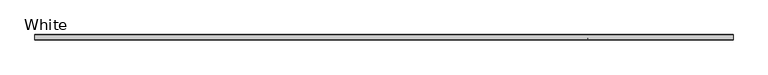
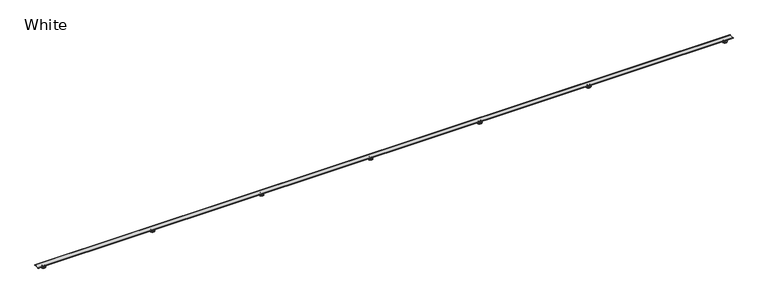
"""IFC4 building model written with IfcOpenShell, lengths in millimetres: proxy geometry, White."""

import ifcopenshell
import ifcopenshell.guid

model = None  # the IFC model being written
_history = None  # IfcOwnerHistory: only IFC2X3 demands one
_inside = {}  # id of a spatial element -> (the spatial element, [elements in it])
_under = {}  # id of a project, library or spatial element -> (it, [spatial elements below it])
_declared = {}  # id of a project -> (the project, [libraries it declares])
_typed = {}  # id of a type object -> (the type object, [elements of that type])
_made_of = {}  # id of a material, layer set ... -> (it, [elements and type objects made of it])


def new_model(schema):
    """Start an empty IFC model of exactly this schema.

    Asked for "IFC4X3", IfcOpenShell would pick the latest addendum, in which some entities
    have other attributes; the version numbers below select the first issue.
    IFC2X3 requires an IfcOwnerHistory on every rooted entity: one is made here for all.
    """
    global model, _history
    if schema == "IFC4X3":
        model = ifcopenshell.file(schema_version=(4, 3, 0, 0))
    else:
        model = ifcopenshell.file(schema=schema)
    _inside.clear()
    _under.clear()
    _declared.clear()
    _typed.clear()
    _made_of.clear()
    _history = None
    if model.schema == "IFC2X3":
        org = make("IfcOrganization", Name="unknown")
        user = make(
            "IfcPersonAndOrganization",
            ThePerson=make("IfcPerson", FamilyName="unknown"),
            TheOrganization=org,
        )
        app = make(
            "IfcApplication",
            ApplicationDeveloper=org,
            Version="unknown",
            ApplicationFullName="unknown",
            ApplicationIdentifier="unknown",
        )
        _history = make(
            "IfcOwnerHistory",
            OwningUser=user,
            OwningApplication=app,
            ChangeAction="ADDED",
            CreationDate=0,
        )
    return model


def make(cls, **values):
    """One entity of the class cls with the attributes given. An attribute that is None is left unset."""
    return model.create_entity(
        cls, **{name: value for name, value in values.items() if value is not None}
    )


def rooted(cls, **values):
    """An entity with a GlobalId (a new one), such as an element, a storey or a relation."""
    return make(cls, GlobalId=ifcopenshell.guid.new(), OwnerHistory=_history, **values)


def si_unit(unit_type, name, prefix=None):
    """IfcSIUnit, for example si_unit("LENGTHUNIT", "METRE", prefix="MILLI")."""
    return make("IfcSIUnit", UnitType=unit_type, Prefix=prefix, Name=name)


def assignment(units):
    """IfcUnitAssignment: the units of a project."""
    return None if units is None else make("IfcUnitAssignment", Units=units)


def point(xyz):
    """IfcCartesianPoint."""
    return None if xyz is None else make("IfcCartesianPoint", Coordinates=xyz)


def direction(xyz):
    """IfcDirection."""
    return None if xyz is None else make("IfcDirection", DirectionRatios=xyz)


def frame(location, z_axis=None, x_axis=None):
    """IfcAxis2Placement3D, a coordinate frame: its origin and axes. An axis left out is left unset."""
    return make(
        "IfcAxis2Placement3D",
        Location=point(location),
        Axis=direction(z_axis),
        RefDirection=direction(x_axis),
    )


def frame_2d(location, x_axis=None):
    """IfcAxis2Placement2D, a coordinate frame in the plane: its origin and x axis."""
    return make(
        "IfcAxis2Placement2D", Location=point(location), RefDirection=direction(x_axis)
    )


def origin():
    """The frame at (0, 0, 0) with its axes left unset."""
    return frame((0.0, 0.0, 0.0))


def place(relative_to, where):
    """IfcLocalPlacement: puts the frame where relative to a parent placement (None: the world)."""
    return make(
        "IfcLocalPlacement", PlacementRelTo=relative_to, RelativePlacement=where
    )


def context(
    kind, dimensions, precision=None, world=None, true_north=None, identifier=None
):
    """IfcGeometricRepresentationContext, for example the 3D "Model" context."""
    return make(
        "IfcGeometricRepresentationContext",
        ContextIdentifier=identifier,
        ContextType=kind,
        CoordinateSpaceDimension=dimensions,
        Precision=precision,
        WorldCoordinateSystem=world,
        TrueNorth=true_north,
    )


def project(units=None, contexts=None):
    """IfcProject with its units and contexts."""
    return rooted(
        "IfcProject",
        Name="project",
        RepresentationContexts=contexts,
        UnitsInContext=assignment(units),
    )


def spatial(cls, under=None, at=None, **own):
    """A site, building, storey or space (cls), placed at a placement, below another one or the project."""
    s = rooted(cls, ObjectPlacement=at, **own)
    if under is not None:
        _under.setdefault(under.id(), (under, []))[1].append(s)
    return s


def polyline(points):
    """IfcPolyline through the points."""
    return make("IfcPolyline", Points=[point(p) for p in points])


def circle_curve(where, radius):
    """IfcCircle in the frame where."""
    return make("IfcCircle", Position=where, Radius=radius)


def ellipse_curve(where, semi_axis1, semi_axis2):
    """IfcEllipse in the frame where."""
    return make(
        "IfcEllipse", Position=where, SemiAxis1=semi_axis1, SemiAxis2=semi_axis2
    )


def trimmed(basis, trim1, trim2, sense, master):
    """IfcTrimmedCurve: the piece of a basis curve between two trims."""
    return make(
        "IfcTrimmedCurve",
        BasisCurve=basis,
        Trim1=trim1,
        Trim2=trim2,
        SenseAgreement=sense,
        MasterRepresentation=master,
    )


def segment(curve, same_sense, transition):
    """IfcCompositeCurveSegment."""
    return make(
        "IfcCompositeCurveSegment",
        Transition=transition,
        SameSense=same_sense,
        ParentCurve=curve,
    )


def composite_curve(segments, self_intersect=None):
    """IfcCompositeCurve: segments joined end to end."""
    return make("IfcCompositeCurve", Segments=segments, SelfIntersect=self_intersect)


def outline(outer, holes=None, kind="AREA"):
    """IfcArbitraryClosedProfileDef: a profile drawn as a closed curve; with holes, ...WithVoids."""
    if holes is None:
        return make("IfcArbitraryClosedProfileDef", ProfileType=kind, OuterCurve=outer)
    return make(
        "IfcArbitraryProfileDefWithVoids",
        ProfileType=kind,
        OuterCurve=outer,
        InnerCurves=holes,
    )


def extrude(swept, where, along, depth):
    """IfcExtrudedAreaSolid: the profile swept, set in the frame where, extruded along a direction by depth."""
    return make(
        "IfcExtrudedAreaSolid",
        SweptArea=swept,
        Position=where,
        ExtrudedDirection=direction(along),
        Depth=depth,
    )


def shape(context_of_items, identifier, shape_type, items):
    """IfcShapeRepresentation: the items that make up one representation, for example the "Body"."""
    return make(
        "IfcShapeRepresentation",
        ContextOfItems=context_of_items,
        RepresentationIdentifier=identifier,
        RepresentationType=shape_type,
        Items=items,
    )


def source(mapping_origin, context_of_items, identifier, shape_type, items):
    """IfcRepresentationMap: a shape defined once, which mapped items show again and again."""
    return make(
        "IfcRepresentationMap",
        MappingOrigin=mapping_origin,
        MappedRepresentation=shape(context_of_items, identifier, shape_type, items),
    )


def transform(
    local_origin,
    x_axis=None,
    y_axis=None,
    z_axis=None,
    scale=None,
    scale2=None,
    scale3=None,
    uniform=True,
):
    """IfcCartesianTransformationOperator3D, or its non-uniform kind. x_axis, y_axis, z_axis: its Axis1, 2, 3."""
    if uniform:
        return make(
            "IfcCartesianTransformationOperator3D",
            Axis1=direction(x_axis),
            Axis2=direction(y_axis),
            LocalOrigin=point(local_origin),
            Scale=scale,
            Axis3=direction(z_axis),
        )
    return make(
        "IfcCartesianTransformationOperator3DnonUniform",
        Axis1=direction(x_axis),
        Axis2=direction(y_axis),
        LocalOrigin=point(local_origin),
        Scale=scale,
        Axis3=direction(z_axis),
        Scale2=scale2,
        Scale3=scale3,
    )


def mapped(mapping_source, mapping_target):
    """IfcMappedItem: shows the shape of a source again, moved by a transform."""
    return make(
        "IfcMappedItem", MappingSource=mapping_source, MappingTarget=mapping_target
    )


def made_of(thing, what):
    """Note that an element or type object is made of a material, layer set ...; save() writes the relation."""
    if what is not None:
        _made_of.setdefault(what.id(), (what, []))[1].append(thing)
    return thing


def element(
    cls,
    number,
    at=None,
    inside=None,
    cuts=None,
    type_object=None,
    material=None,
    context=None,
    identifier="Body",
    shape_type=None,
    held_by="IfcProductDefinitionShape",
    body=None,
    shapes=None,
    **own,
):
    """One element of the class cls, such as IfcWall. Its Tag is "e" and its number.

    at: its placement. inside: the storey or other place that contains it. cuts: it is an
    opening in that element (IfcRelVoidsElement). A single representation is given by context,
    identifier, shape_type and body (its items); several are given by shapes. held_by: the class
    of the entity that holds the representations. save() writes the other relations.
    """
    e = rooted(cls, Tag="e%d" % number, ObjectPlacement=at, **own)
    if body is not None:
        shapes = [shape(context, identifier, shape_type, body)]
    if shapes is not None:
        e.Representation = make(held_by, Representations=shapes)
    if inside is not None:
        _inside.setdefault(inside.id(), (inside, []))[1].append(e)
    if cuts is not None:
        rooted(
            "IfcRelVoidsElement", RelatingBuildingElement=cuts, RelatedOpeningElement=e
        )
    if type_object is not None:
        _typed.setdefault(type_object.id(), (type_object, []))[1].append(e)
    return made_of(e, material)


def aggregate(whole, parts):
    """IfcRelAggregates: a whole, such as a stair, and the parts it consists of."""
    return rooted("IfcRelAggregates", RelatingObject=whole, RelatedObjects=parts)


def save(model, path):
    """Write the relations noted so far, then the file.

    IfcRelAggregates (storeys below a building ...), IfcRelContainedInSpatialStructure (elements
    in a storey), IfcRelDefinesByType, IfcRelAssociatesMaterial and IfcRelDeclares: one each for
    every whole, place, type object, material and project.
    """
    for whole, parts in _under.values():
        aggregate(whole, parts)
    for where, things in _inside.values():
        rooted(
            "IfcRelContainedInSpatialStructure",
            RelatedElements=things,
            RelatingStructure=where,
        )
    for kind, things in _typed.values():
        rooted("IfcRelDefinesByType", RelatedObjects=things, RelatingType=kind)
    for what, things in _made_of.values():
        rooted("IfcRelAssociatesMaterial", RelatedObjects=things, RelatingMaterial=what)
    for by, libraries in _declared.values():
        rooted("IfcRelDeclares", RelatingContext=by, RelatedDefinitions=libraries)
    model.write(path)


def plane_surface(at):
    """IfcPlane: the flat surface through the origin of the frame at, square to its z axis."""
    return make("IfcPlane", Position=at)


def cylinder_surface(at, radius):
    """IfcCylindricalSurface: all points at the distance radius from the z axis of the frame at."""
    return make("IfcCylindricalSurface", Position=at, Radius=radius)


def revolved_surface(curve, axis_point, axis_direction):
    """IfcSurfaceOfRevolution: the curve turned about the line through axis_point along axis_direction."""
    return make(
        "IfcSurfaceOfRevolution",
        SweptCurve=make("IfcArbitraryOpenProfileDef", ProfileType="CURVE", Curve=curve),
        AxisPosition=make("IfcAxis1Placement", Location=point(axis_point), Axis=direction(axis_direction)),
    )


def advanced_brep(points, edges, surfaces, faces):
    """IfcAdvancedBrep: a solid bounded by faces that lie on surfaces and meet in shared edges.

    An edge is (start, end): straight between two places in points (the first is 0);
    or (start, end, curve); or (start, end, curve, False) where it runs against its curve.
    A face is (place in surfaces, loops), or (place, loops, False) where it looks against
    its surface's normal. A loop lists edges by number (the first is 1), with a minus sign
    where the edge is run from its end to its start. The first loop is the outer one.
    """
    corners = [point(p) for p in points]
    vertices = [make("IfcVertexPoint", VertexGeometry=c) for c in corners]
    made = []
    for start, end, *more in edges:
        made.append(
            make(
                "IfcEdgeCurve",
                EdgeStart=vertices[start],
                EdgeEnd=vertices[end],
                EdgeGeometry=more[0] if more else make("IfcPolyline", Points=[corners[start], corners[end]]),
                SameSense=more[1] if len(more) > 1 else True,
            )
        )
    hull = []
    for where, loops, *sense in faces:
        bounds = []
        for j, loop in enumerate(loops):
            ring = [make("IfcOrientedEdge", EdgeElement=made[abs(k) - 1], Orientation=k > 0) for k in loop]
            bounds.append(
                make(
                    "IfcFaceOuterBound" if j == 0 else "IfcFaceBound",
                    Bound=make("IfcEdgeLoop", EdgeList=ring),
                    Orientation=True,
                )
            )
        hull.append(make("IfcAdvancedFace", Bounds=bounds, FaceSurface=surfaces[where], SameSense=sense[0] if sense else True))
    return make("IfcAdvancedBrep", Outer=make("IfcClosedShell", CfsFaces=hull))


def white_c930aea4(model_context):
    return source(origin(), model_context, "Body", "SolidModel", [
        advanced_brep(
        [(2062.1625, 0.0, 10.0076), (2052.6375, 0.0, 10.0076), (2057.4, 0.0, 10.0076), (2062.1625, 0.0, 2.7028081), (2052.6375, 0.0, 2.7028081), (2065.096406, 0.0, 1.9166704), (2049.703594, 0.0, 1.9166704), (2057.4, 0.0, 0.0), (2049.8796716, 0.0, 0.0), (2064.9203284, 0.0, 0.0)],
        [
            (0, 1, circle_curve(frame((2057.4, 0.0, 10.0076), z_axis=(0.0, 0.0, 1.0), x_axis=(-1.0, 0.0, 0.0)), 4.7625)),
            (1, 2),
            (2, 0),
            (1, 0, circle_curve(frame((2057.4, 0.0, 10.0076), z_axis=(0.0, 0.0, 1.0), x_axis=(-1.0, 0.0, 0.0)), 4.7625)),
            (3, 4, circle_curve(frame((2057.4, 0.0, 2.7028081), z_axis=(0.0, 0.0, 1.0), x_axis=(-1.0, 0.0, 0.0)), 4.7625)),
            (4, 1),
            (0, 3),
            (4, 3, circle_curve(frame((2057.4, 0.0, 2.7028081), z_axis=(0.0, 0.0, 1.0), x_axis=(-1.0, 0.0, 0.0)), 4.7625)),
            (5, 6, circle_curve(frame((2057.4, 0.0, 1.9166704), z_axis=(0.0, 0.0, 1.0), x_axis=(-1.0, 0.0, 0.0)), 7.696406)),
            (6, 4),
            (3, 5),
            (6, 5, circle_curve(frame((2057.4, 0.0, 1.9166704), z_axis=(0.0, 0.0, 1.0), x_axis=(-1.0, 0.0, 0.0)), 7.696406)),
            (7, 8),
            (8, 9, circle_curve(frame((2057.4, 0.0, 0.0), z_axis=(0.0, 0.0, -1.0), x_axis=(-1.0, 0.0, 0.0)), 7.5203284)),
            (9, 7),
            (9, 8, circle_curve(frame((2057.4, 0.0, 0.0), z_axis=(0.0, 0.0, -1.0), x_axis=(-1.0, 0.0, 0.0)), 7.5203284)),
            (8, 6, circle_curve(frame((2049.8796716, 0.0, 0.966423), z_axis=(0.0, 1.0, 0.0), x_axis=(1.0, 0.0, 0.0)), 0.966423)),
            (5, 9, circle_curve(frame((2064.9203284, 0.0, 0.966423), z_axis=(0.0, 1.0, 0.0), x_axis=(-1.0, 0.0, 0.0)), 0.966423)),
        ],
        [
            plane_surface(frame((2057.4, 0.0, 10.0076), z_axis=(0.0, 0.0, 1.0), x_axis=(-1.0, 0.0, 0.0))),
            cylinder_surface(frame((2057.4, 0.0, 2609.0581012), z_axis=(0.0, 0.0, -1.0), x_axis=(-1.0, 0.0, 0.0)), 4.7625),
            revolved_surface(polyline([(2052.6375, 0.0, 2.7028081), (2049.703594, 0.0, 1.9166704)]), (2057.4, 0.0, 2609.0581012), (0.0, 0.0, -1.0)),
            plane_surface(frame((2057.4, 0.0, 0.0), z_axis=(0.0, 0.0, -1.0), x_axis=(-1.0, 0.0, 0.0))),
            revolved_surface(trimmed(ellipse_curve(frame((2049.8796716, 0.0, 0.966423), z_axis=(0.0, -1.0, 0.0), x_axis=(1.0, 0.0, 0.0)), 0.966423, 0.966423), [point((2049.703594, 0.0, 1.9166704))], [point((2049.8796716, 0.0, 0.0))], True, "CARTESIAN"), (2057.4, 0.0, 2609.0581012), (0.0, 0.0, -1.0)),
        ],
        [
            (0, [[1, 2, 3]]),
            (0, [[4, -3, -2]]),
            (1, [[5, 6, -1, 7]]),
            (1, [[8, -7, -4, -6]]),
            (2, [[9, 10, -5, 11]]),
            (2, [[12, -11, -8, -10]]),
            (3, [[13, 14, 15]]),
            (3, [[-15, 16, -13]]),
            (4, [[-14, 17, -9, 18]]),
            (4, [[-16, -18, -12, -17]]),
        ],
    ),
        advanced_brep(
        [(1655.7625, 0.0, 10.0076), (1646.2375, 0.0, 10.0076), (1651.0, 0.0, 10.0076), (1655.7625, 0.0, 2.7028081), (1646.2375, 0.0, 2.7028081), (1658.696406, 0.0, 1.9166704), (1643.303594, 0.0, 1.9166704), (1651.0, 0.0, 0.0), (1643.4796716, 0.0, 0.0), (1658.5203284, 0.0, 0.0)],
        [
            (0, 1, circle_curve(frame((1651.0, 0.0, 10.0076), z_axis=(0.0, 0.0, 1.0), x_axis=(-1.0, 0.0, 0.0)), 4.7625)),
            (1, 2),
            (2, 0),
            (1, 0, circle_curve(frame((1651.0, 0.0, 10.0076), z_axis=(0.0, 0.0, 1.0), x_axis=(-1.0, 0.0, 0.0)), 4.7625)),
            (3, 4, circle_curve(frame((1651.0, 0.0, 2.7028081), z_axis=(0.0, 0.0, 1.0), x_axis=(-1.0, 0.0, 0.0)), 4.7625)),
            (4, 1),
            (0, 3),
            (4, 3, circle_curve(frame((1651.0, 0.0, 2.7028081), z_axis=(0.0, 0.0, 1.0), x_axis=(-1.0, 0.0, 0.0)), 4.7625)),
            (5, 6, circle_curve(frame((1651.0, 0.0, 1.9166704), z_axis=(0.0, 0.0, 1.0), x_axis=(-1.0, 0.0, 0.0)), 7.696406)),
            (6, 4),
            (3, 5),
            (6, 5, circle_curve(frame((1651.0, 0.0, 1.9166704), z_axis=(0.0, 0.0, 1.0), x_axis=(-1.0, 0.0, 0.0)), 7.696406)),
            (7, 8),
            (8, 9, circle_curve(frame((1651.0, 0.0, 0.0), z_axis=(0.0, 0.0, -1.0), x_axis=(-1.0, 0.0, 0.0)), 7.5203284)),
            (9, 7),
            (9, 8, circle_curve(frame((1651.0, 0.0, 0.0), z_axis=(0.0, 0.0, -1.0), x_axis=(-1.0, 0.0, 0.0)), 7.5203284)),
            (8, 6, circle_curve(frame((1643.4796716, 0.0, 0.966423), z_axis=(0.0, 1.0, 0.0), x_axis=(1.0, 0.0, 0.0)), 0.966423)),
            (5, 9, circle_curve(frame((1658.5203284, 0.0, 0.966423), z_axis=(0.0, 1.0, 0.0), x_axis=(-1.0, 0.0, 0.0)), 0.966423)),
        ],
        [
            plane_surface(frame((1651.0, 0.0, 10.0076), z_axis=(0.0, 0.0, 1.0), x_axis=(-1.0, 0.0, 0.0))),
            cylinder_surface(frame((1651.0, 0.0, 2609.0581012), z_axis=(0.0, 0.0, -1.0), x_axis=(-1.0, 0.0, 0.0)), 4.7625),
            revolved_surface(polyline([(1646.2375, 0.0, 2.7028081), (1643.303594, 0.0, 1.9166704)]), (1651.0, 0.0, 2609.0581012), (0.0, 0.0, -1.0)),
            plane_surface(frame((1651.0, 0.0, 0.0), z_axis=(0.0, 0.0, -1.0), x_axis=(-1.0, 0.0, 0.0))),
            revolved_surface(trimmed(ellipse_curve(frame((1643.4796716, 0.0, 0.966423), z_axis=(0.0, -1.0, 0.0), x_axis=(1.0, 0.0, 0.0)), 0.966423, 0.966423), [point((1643.303594, 0.0, 1.9166704))], [point((1643.4796716, 0.0, 0.0))], True, "CARTESIAN"), (1651.0, 0.0, 2609.0581012), (0.0, 0.0, -1.0)),
        ],
        [
            (0, [[1, 2, 3]]),
            (0, [[4, -3, -2]]),
            (1, [[5, 6, -1, 7]]),
            (1, [[8, -7, -4, -6]]),
            (2, [[9, 10, -5, 11]]),
            (2, [[12, -11, -8, -10]]),
            (3, [[13, 14, 15]]),
            (3, [[-15, 16, -13]]),
            (4, [[-14, 17, -9, 18]]),
            (4, [[-16, -18, -12, -17]]),
        ],
    ),
        advanced_brep(
        [(1249.3625, 0.0, 10.0076), (1239.8375, 0.0, 10.0076), (1244.6, 0.0, 10.0076), (1249.3625, 0.0, 2.7028081), (1239.8375, 0.0, 2.7028081), (1252.296406, 0.0, 1.9166704), (1236.903594, 0.0, 1.9166704), (1244.6, 0.0, 0.0), (1237.0796716, 0.0, 0.0), (1252.1203284, 0.0, 0.0)],
        [
            (0, 1, circle_curve(frame((1244.6, 0.0, 10.0076), z_axis=(0.0, 0.0, 1.0), x_axis=(-1.0, 0.0, 0.0)), 4.7625)),
            (1, 2),
            (2, 0),
            (1, 0, circle_curve(frame((1244.6, 0.0, 10.0076), z_axis=(0.0, 0.0, 1.0), x_axis=(-1.0, 0.0, 0.0)), 4.7625)),
            (3, 4, circle_curve(frame((1244.6, 0.0, 2.7028081), z_axis=(0.0, 0.0, 1.0), x_axis=(-1.0, 0.0, 0.0)), 4.7625)),
            (4, 1),
            (0, 3),
            (4, 3, circle_curve(frame((1244.6, 0.0, 2.7028081), z_axis=(0.0, 0.0, 1.0), x_axis=(-1.0, 0.0, 0.0)), 4.7625)),
            (5, 6, circle_curve(frame((1244.6, 0.0, 1.9166704), z_axis=(0.0, 0.0, 1.0), x_axis=(-1.0, 0.0, 0.0)), 7.696406)),
            (6, 4),
            (3, 5),
            (6, 5, circle_curve(frame((1244.6, 0.0, 1.9166704), z_axis=(0.0, 0.0, 1.0), x_axis=(-1.0, 0.0, 0.0)), 7.696406)),
            (7, 8),
            (8, 9, circle_curve(frame((1244.6, 0.0, 0.0), z_axis=(0.0, 0.0, -1.0), x_axis=(-1.0, 0.0, 0.0)), 7.5203284)),
            (9, 7),
            (9, 8, circle_curve(frame((1244.6, 0.0, 0.0), z_axis=(0.0, 0.0, -1.0), x_axis=(-1.0, 0.0, 0.0)), 7.5203284)),
            (8, 6, circle_curve(frame((1237.0796716, 0.0, 0.966423), z_axis=(0.0, 1.0, 0.0), x_axis=(1.0, 0.0, 0.0)), 0.966423)),
            (5, 9, circle_curve(frame((1252.1203284, 0.0, 0.966423), z_axis=(0.0, 1.0, 0.0), x_axis=(-1.0, 0.0, 0.0)), 0.966423)),
        ],
        [
            plane_surface(frame((1244.6, 0.0, 10.0076), z_axis=(0.0, 0.0, 1.0), x_axis=(-1.0, 0.0, 0.0))),
            cylinder_surface(frame((1244.6, 0.0, 2609.0581012), z_axis=(0.0, 0.0, -1.0), x_axis=(-1.0, 0.0, 0.0)), 4.7625),
            revolved_surface(polyline([(1239.8375, 0.0, 2.7028081), (1236.903594, 0.0, 1.9166704)]), (1244.6, 0.0, 2609.0581012), (0.0, 0.0, -1.0)),
            plane_surface(frame((1244.6, 0.0, 0.0), z_axis=(0.0, 0.0, -1.0), x_axis=(-1.0, 0.0, 0.0))),
            revolved_surface(trimmed(ellipse_curve(frame((1237.0796716, 0.0, 0.966423), z_axis=(0.0, -1.0, 0.0), x_axis=(1.0, 0.0, 0.0)), 0.966423, 0.966423), [point((1236.903594, 0.0, 1.9166704))], [point((1237.0796716, 0.0, 0.0))], True, "CARTESIAN"), (1244.6, 0.0, 2609.0581012), (0.0, 0.0, -1.0)),
        ],
        [
            (0, [[1, 2, 3]]),
            (0, [[4, -3, -2]]),
            (1, [[5, 6, -1, 7]]),
            (1, [[8, -7, -4, -6]]),
            (2, [[9, 10, -5, 11]]),
            (2, [[12, -11, -8, -10]]),
            (3, [[13, 14, 15]]),
            (3, [[-15, 16, -13]]),
            (4, [[-14, 17, -9, 18]]),
            (4, [[-16, -18, -12, -17]]),
        ],
    ),
        advanced_brep(
        [(842.9625, 0.0, 10.0076), (833.4375, 0.0, 10.0076), (838.2, 0.0, 10.0076), (842.9625, 0.0, 2.7028081), (833.4375, 0.0, 2.7028081), (845.896406, 0.0, 1.9166704), (830.503594, 0.0, 1.9166704), (838.2, 0.0, 0.0), (830.6796716, 0.0, 0.0), (845.7203284, 0.0, 0.0)],
        [
            (0, 1, circle_curve(frame((838.2, 0.0, 10.0076), z_axis=(0.0, 0.0, 1.0), x_axis=(-1.0, 0.0, 0.0)), 4.7625)),
            (1, 2),
            (2, 0),
            (1, 0, circle_curve(frame((838.2, 0.0, 10.0076), z_axis=(0.0, 0.0, 1.0), x_axis=(-1.0, 0.0, 0.0)), 4.7625)),
            (3, 4, circle_curve(frame((838.2, 0.0, 2.7028081), z_axis=(0.0, 0.0, 1.0), x_axis=(-1.0, 0.0, 0.0)), 4.7625)),
            (4, 1),
            (0, 3),
            (4, 3, circle_curve(frame((838.2, 0.0, 2.7028081), z_axis=(0.0, 0.0, 1.0), x_axis=(-1.0, 0.0, 0.0)), 4.7625)),
            (5, 6, circle_curve(frame((838.2, 0.0, 1.9166704), z_axis=(0.0, 0.0, 1.0), x_axis=(-1.0, 0.0, 0.0)), 7.696406)),
            (6, 4),
            (3, 5),
            (6, 5, circle_curve(frame((838.2, 0.0, 1.9166704), z_axis=(0.0, 0.0, 1.0), x_axis=(-1.0, 0.0, 0.0)), 7.696406)),
            (7, 8),
            (8, 9, circle_curve(frame((838.2, 0.0, 0.0), z_axis=(0.0, 0.0, -1.0), x_axis=(-1.0, 0.0, 0.0)), 7.5203284)),
            (9, 7),
            (9, 8, circle_curve(frame((838.2, 0.0, 0.0), z_axis=(0.0, 0.0, -1.0), x_axis=(-1.0, 0.0, 0.0)), 7.5203284)),
            (8, 6, circle_curve(frame((830.6796716, 0.0, 0.966423), z_axis=(0.0, 1.0, 0.0), x_axis=(1.0, 0.0, 0.0)), 0.966423)),
            (5, 9, circle_curve(frame((845.7203284, 0.0, 0.966423), z_axis=(0.0, 1.0, 0.0), x_axis=(-1.0, 0.0, 0.0)), 0.966423)),
        ],
        [
            plane_surface(frame((838.2, 0.0, 10.0076), z_axis=(0.0, 0.0, 1.0), x_axis=(-1.0, 0.0, 0.0))),
            cylinder_surface(frame((838.2, 0.0, 2609.0581012), z_axis=(0.0, 0.0, -1.0), x_axis=(-1.0, 0.0, 0.0)), 4.7625),
            revolved_surface(polyline([(833.4375, 0.0, 2.7028081), (830.503594, 0.0, 1.9166704)]), (838.2, 0.0, 2609.0581012), (0.0, 0.0, -1.0)),
            plane_surface(frame((838.2, 0.0, 0.0), z_axis=(0.0, 0.0, -1.0), x_axis=(-1.0, 0.0, 0.0))),
            revolved_surface(trimmed(ellipse_curve(frame((830.6796716, 0.0, 0.966423), z_axis=(0.0, -1.0, 0.0), x_axis=(1.0, 0.0, 0.0)), 0.966423, 0.966423), [point((830.503594, 0.0, 1.9166704))], [point((830.6796716, 0.0, 0.0))], True, "CARTESIAN"), (838.2, 0.0, 2609.0581012), (0.0, 0.0, -1.0)),
        ],
        [
            (0, [[1, 2, 3]]),
            (0, [[4, -3, -2]]),
            (1, [[5, 6, -1, 7]]),
            (1, [[8, -7, -4, -6]]),
            (2, [[9, 10, -5, 11]]),
            (2, [[12, -11, -8, -10]]),
            (3, [[13, 14, 15]]),
            (3, [[-15, 16, -13]]),
            (4, [[-14, 17, -9, 18]]),
            (4, [[-16, -18, -12, -17]]),
        ],
    ),
        advanced_brep(
        [(2570.1625, 0.0, 10.0076), (2560.6375, 0.0, 10.0076), (2565.4, 0.0, 10.0076), (2570.1625, 0.0, 2.7028081), (2560.6375, 0.0, 2.7028081), (2573.096406, 0.0, 1.9166704), (2557.703594, 0.0, 1.9166704), (2565.4, 0.0, 0.0), (2557.8796716, 0.0, 0.0), (2572.9203284, 0.0, 0.0)],
        [
            (0, 1, circle_curve(frame((2565.4, 0.0, 10.0076), z_axis=(0.0, 0.0, 1.0), x_axis=(-1.0, 0.0, 0.0)), 4.7625)),
            (1, 2),
            (2, 0),
            (1, 0, circle_curve(frame((2565.4, 0.0, 10.0076), z_axis=(0.0, 0.0, 1.0), x_axis=(-1.0, 0.0, 0.0)), 4.7625)),
            (3, 4, circle_curve(frame((2565.4, 0.0, 2.7028081), z_axis=(0.0, 0.0, 1.0), x_axis=(-1.0, 0.0, 0.0)), 4.7625)),
            (4, 1),
            (0, 3),
            (4, 3, circle_curve(frame((2565.4, 0.0, 2.7028081), z_axis=(0.0, 0.0, 1.0), x_axis=(-1.0, 0.0, 0.0)), 4.7625)),
            (5, 6, circle_curve(frame((2565.4, 0.0, 1.9166704), z_axis=(0.0, 0.0, 1.0), x_axis=(-1.0, 0.0, 0.0)), 7.696406)),
            (6, 4),
            (3, 5),
            (6, 5, circle_curve(frame((2565.4, 0.0, 1.9166704), z_axis=(0.0, 0.0, 1.0), x_axis=(-1.0, 0.0, 0.0)), 7.696406)),
            (7, 8),
            (8, 9, circle_curve(frame((2565.4, 0.0, 0.0), z_axis=(0.0, 0.0, -1.0), x_axis=(-1.0, 0.0, 0.0)), 7.5203284)),
            (9, 7),
            (9, 8, circle_curve(frame((2565.4, 0.0, 0.0), z_axis=(0.0, 0.0, -1.0), x_axis=(-1.0, 0.0, 0.0)), 7.5203284)),
            (8, 6, circle_curve(frame((2557.8796716, 0.0, 0.966423), z_axis=(0.0, 1.0, 0.0), x_axis=(1.0, 0.0, 0.0)), 0.966423)),
            (5, 9, circle_curve(frame((2572.9203284, 0.0, 0.966423), z_axis=(0.0, 1.0, 0.0), x_axis=(-1.0, 0.0, 0.0)), 0.966423)),
        ],
        [
            plane_surface(frame((2565.4, 0.0, 10.0076), z_axis=(0.0, 0.0, 1.0), x_axis=(-1.0, 0.0, 0.0))),
            cylinder_surface(frame((2565.4, 0.0, 2609.0581012), z_axis=(0.0, 0.0, -1.0), x_axis=(-1.0, 0.0, 0.0)), 4.7625),
            revolved_surface(polyline([(2560.6375, 0.0, 2.7028081), (2557.703594, 0.0, 1.9166704)]), (2565.4, 0.0, 2609.0581012), (0.0, 0.0, -1.0)),
            plane_surface(frame((2565.4, 0.0, 0.0), z_axis=(0.0, 0.0, -1.0), x_axis=(-1.0, 0.0, 0.0))),
            revolved_surface(trimmed(ellipse_curve(frame((2557.8796716, 0.0, 0.966423), z_axis=(0.0, -1.0, 0.0), x_axis=(1.0, 0.0, 0.0)), 0.966423, 0.966423), [point((2557.703594, 0.0, 1.9166704))], [point((2557.8796716, 0.0, 0.0))], True, "CARTESIAN"), (2565.4, 0.0, 2609.0581012), (0.0, 0.0, -1.0)),
        ],
        [
            (0, [[1, 2, 3]]),
            (0, [[4, -3, -2]]),
            (1, [[5, 6, -1, 7]]),
            (1, [[8, -7, -4, -6]]),
            (2, [[9, 10, -5, 11]]),
            (2, [[12, -11, -8, -10]]),
            (3, [[13, 14, 15]]),
            (3, [[-15, 16, -13]]),
            (4, [[-14, 17, -9, 18]]),
            (4, [[-16, -18, -12, -17]]),
        ],
    ),
        advanced_brep(
        [(436.5625, 0.0, 10.0076), (427.0375, 0.0, 10.0076), (431.8, 0.0, 10.0076), (436.5625, 0.0, 2.7028081), (427.0375, 0.0, 2.7028081), (439.496406, 0.0, 1.9166704), (424.103594, 0.0, 1.9166704), (431.8, 0.0, 0.0), (424.2796716, 0.0, 0.0), (439.3203284, 0.0, 0.0)],
        [
            (0, 1, circle_curve(frame((431.8, 0.0, 10.0076), z_axis=(0.0, 0.0, 1.0), x_axis=(-1.0, 0.0, 0.0)), 4.7625)),
            (1, 2),
            (2, 0),
            (1, 0, circle_curve(frame((431.8, 0.0, 10.0076), z_axis=(0.0, 0.0, 1.0), x_axis=(-1.0, 0.0, 0.0)), 4.7625)),
            (3, 4, circle_curve(frame((431.8, 0.0, 2.7028081), z_axis=(0.0, 0.0, 1.0), x_axis=(-1.0, 0.0, 0.0)), 4.7625)),
            (4, 1),
            (0, 3),
            (4, 3, circle_curve(frame((431.8, 0.0, 2.7028081), z_axis=(0.0, 0.0, 1.0), x_axis=(-1.0, 0.0, 0.0)), 4.7625)),
            (5, 6, circle_curve(frame((431.8, 0.0, 1.9166704), z_axis=(0.0, 0.0, 1.0), x_axis=(-1.0, 0.0, 0.0)), 7.696406)),
            (6, 4),
            (3, 5),
            (6, 5, circle_curve(frame((431.8, 0.0, 1.9166704), z_axis=(0.0, 0.0, 1.0), x_axis=(-1.0, 0.0, 0.0)), 7.696406)),
            (7, 8),
            (8, 9, circle_curve(frame((431.8, 0.0, 0.0), z_axis=(0.0, 0.0, -1.0), x_axis=(-1.0, 0.0, 0.0)), 7.5203284)),
            (9, 7),
            (9, 8, circle_curve(frame((431.8, 0.0, 0.0), z_axis=(0.0, 0.0, -1.0), x_axis=(-1.0, 0.0, 0.0)), 7.5203284)),
            (8, 6, circle_curve(frame((424.2796716, 0.0, 0.966423), z_axis=(0.0, 1.0, 0.0), x_axis=(1.0, 0.0, 0.0)), 0.966423)),
            (5, 9, circle_curve(frame((439.3203284, 0.0, 0.966423), z_axis=(0.0, 1.0, 0.0), x_axis=(-1.0, 0.0, 0.0)), 0.966423)),
        ],
        [
            plane_surface(frame((431.8, 0.0, 10.0076), z_axis=(0.0, 0.0, 1.0), x_axis=(-1.0, 0.0, 0.0))),
            cylinder_surface(frame((431.8, 0.0, 2609.0581012), z_axis=(0.0, 0.0, -1.0), x_axis=(-1.0, 0.0, 0.0)), 4.7625),
            revolved_surface(polyline([(427.0375, 0.0, 2.7028081), (424.103594, 0.0, 1.9166704)]), (431.8, 0.0, 2609.0581012), (0.0, 0.0, -1.0)),
            plane_surface(frame((431.8, 0.0, 0.0), z_axis=(0.0, 0.0, -1.0), x_axis=(-1.0, 0.0, 0.0))),
            revolved_surface(trimmed(ellipse_curve(frame((424.2796716, 0.0, 0.966423), z_axis=(0.0, -1.0, 0.0), x_axis=(1.0, 0.0, 0.0)), 0.966423, 0.966423), [point((424.103594, 0.0, 1.9166704))], [point((424.2796716, 0.0, 0.0))], True, "CARTESIAN"), (431.8, 0.0, 2609.0581012), (0.0, 0.0, -1.0)),
        ],
        [
            (0, [[1, 2, 3]]),
            (0, [[4, -3, -2]]),
            (1, [[5, 6, -1, 7]]),
            (1, [[8, -7, -4, -6]]),
            (2, [[9, 10, -5, 11]]),
            (2, [[12, -11, -8, -10]]),
            (3, [[13, 14, 15]]),
            (3, [[-15, 16, -13]]),
            (4, [[-14, 17, -9, 18]]),
            (4, [[-16, -18, -12, -17]]),
        ],
    ),
        advanced_brep(
        [(30.1625, 0.0, 10.0076), (20.6375, 0.0, 10.0076), (25.4, 0.0, 10.0076), (30.1625, 0.0, 2.7028081), (20.6375, 0.0, 2.7028081), (33.096406, 0.0, 1.9166704), (17.703594, 0.0, 1.9166704), (25.4, 0.0, 0.0), (17.8796716, 0.0, 0.0), (32.9203284, 0.0, 0.0)],
        [
            (0, 1, circle_curve(frame((25.4, 0.0, 10.0076), z_axis=(0.0, 0.0, 1.0), x_axis=(-1.0, 0.0, 0.0)), 4.7625)),
            (1, 2),
            (2, 0),
            (1, 0, circle_curve(frame((25.4, 0.0, 10.0076), z_axis=(0.0, 0.0, 1.0), x_axis=(-1.0, 0.0, 0.0)), 4.7625)),
            (3, 4, circle_curve(frame((25.4, 0.0, 2.7028081), z_axis=(0.0, 0.0, 1.0), x_axis=(-1.0, 0.0, 0.0)), 4.7625)),
            (4, 1),
            (0, 3),
            (4, 3, circle_curve(frame((25.4, 0.0, 2.7028081), z_axis=(0.0, 0.0, 1.0), x_axis=(-1.0, 0.0, 0.0)), 4.7625)),
            (5, 6, circle_curve(frame((25.4, 0.0, 1.9166704), z_axis=(0.0, 0.0, 1.0), x_axis=(-1.0, 0.0, 0.0)), 7.696406)),
            (6, 4),
            (3, 5),
            (6, 5, circle_curve(frame((25.4, 0.0, 1.9166704), z_axis=(0.0, 0.0, 1.0), x_axis=(-1.0, 0.0, 0.0)), 7.696406)),
            (7, 8),
            (8, 9, circle_curve(frame((25.4, 0.0, 0.0), z_axis=(0.0, 0.0, -1.0), x_axis=(-1.0, 0.0, 0.0)), 7.5203284)),
            (9, 7),
            (9, 8, circle_curve(frame((25.4, 0.0, 0.0), z_axis=(0.0, 0.0, -1.0), x_axis=(-1.0, 0.0, 0.0)), 7.5203284)),
            (8, 6, circle_curve(frame((17.8796716, 0.0, 0.966423), z_axis=(0.0, 1.0, 0.0), x_axis=(1.0, 0.0, 0.0)), 0.966423)),
            (5, 9, circle_curve(frame((32.9203284, 0.0, 0.966423), z_axis=(0.0, 1.0, 0.0), x_axis=(-1.0, 0.0, 0.0)), 0.966423)),
        ],
        [
            plane_surface(frame((25.4, 0.0, 10.0076), z_axis=(0.0, 0.0, 1.0), x_axis=(-1.0, 0.0, 0.0))),
            cylinder_surface(frame((25.4, 0.0, 2609.0581012), z_axis=(0.0, 0.0, -1.0), x_axis=(-1.0, 0.0, 0.0)), 4.7625),
            revolved_surface(polyline([(20.6375, 0.0, 2.7028081), (17.703594, 0.0, 1.9166704)]), (25.4, 0.0, 2609.0581012), (0.0, 0.0, -1.0)),
            plane_surface(frame((25.4, 0.0, 0.0), z_axis=(0.0, 0.0, -1.0), x_axis=(-1.0, 0.0, 0.0))),
            revolved_surface(trimmed(ellipse_curve(frame((17.8796716, 0.0, 0.966423), z_axis=(0.0, -1.0, 0.0), x_axis=(1.0, 0.0, 0.0)), 0.966423, 0.966423), [point((17.703594, 0.0, 1.9166704))], [point((17.8796716, 0.0, 0.0))], True, "CARTESIAN"), (25.4, 0.0, 2609.0581012), (0.0, 0.0, -1.0)),
        ],
        [
            (0, [[1, 2, 3]]),
            (0, [[4, -3, -2]]),
            (1, [[5, 6, -1, 7]]),
            (1, [[8, -7, -4, -6]]),
            (2, [[9, 10, -5, 11]]),
            (2, [[12, -11, -8, -10]]),
            (3, [[13, 14, 15]]),
            (3, [[-15, 16, -13]]),
            (4, [[-14, 17, -9, 18]]),
            (4, [[-16, -18, -12, -17]]),
        ],
    ),
        extrude(outline(composite_curve([segment(polyline([(9.398, 9.906), (-9.398, 9.906)]), True, "CONTINUOUS"), segment(trimmed(circle_curve(frame_2d((-9.398, 10.69975)), 0.79375), [point((-9.398, 9.906))], [point((-9.398, 11.4935))], False, "CARTESIAN"), True, "CONTINUOUS"), segment(polyline([(-9.398, 11.4935), (9.398, 11.4935)]), True, "CONTINUOUS"), segment(trimmed(circle_curve(frame_2d((9.398, 10.69975)), 0.79375), [point((9.398, 11.4935))], [point((9.398, 9.906))], False, "CARTESIAN"), True, "CONTINUOUS")], self_intersect=False)), frame((0.0, 0.0, 0.0), z_axis=(1.0, 0.0, 0.0), x_axis=(0.0, 1.0, 0.0)), (0.0, 0.0, 1.0), 2590.8),
    ])


if __name__ == "__main__":
    model = new_model("IFC4")
    model_context = context("Model", 3, world=origin())
    ifc_project = project(units=[si_unit("LENGTHUNIT", "METRE", prefix="MILLI")], contexts=[model_context])
    site = spatial("IfcSite", under=ifc_project)
    building = spatial("IfcBuilding", under=site)
    placement = place(None, origin())
    white_shape = white_c930aea4(model_context)
    element("IfcBuildingElementProxy", 1, Name="White", ObjectType="White", at=placement, inside=building, context=model_context, shape_type="MappedRepresentation", body=[
        mapped(white_shape, transform((0.0, 0.0, 0.0), x_axis=(1.0, 0.0, 0.0), y_axis=(0.0, 1.0, 0.0), z_axis=(0.0, 0.0, 1.0))),
    ])
    save(model, "model.ifc")
